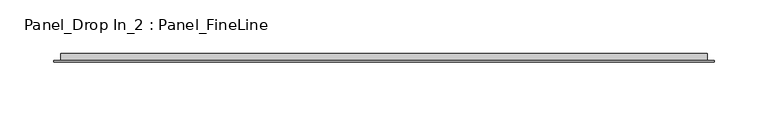
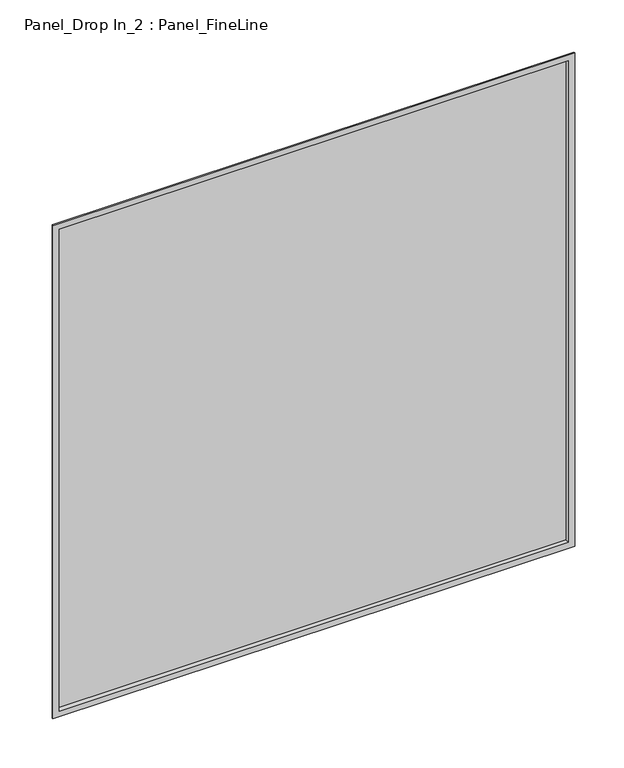
"""IFC4 building model written with IfcOpenShell, lengths in millimetres: plate geometry, Panel_Drop In_2 : Panel_FineLine."""

from ifc_helpers import new_model, si_unit, frame, origin, place, context, project, spatial, polyline, outline, extrude, faceted_brep, source, transform, mapped, element, save


def panel_drop_in_2_panel_fineline_7d5be2de(model_context):
    return source(origin(), model_context, "Body", "SolidModel", [
        extrude(outline(polyline([(299.9500002, 5.5297993), (-299.9500002, 5.5297993), (-299.9500002, 7.0), (299.9500002, 7.0), (299.9500002, 5.5297993)])), frame((0.0, 0.0, 1.3), z_axis=(0.0, 0.0, 1.0), x_axis=(1.0, 0.0, 0.0)), (0.0, 0.0, 1.0), 599.9),
        faceted_brep([(-307.2500002, 0.0, 608.5), (-307.2500002, 1.5, 608.5), (-307.2500002, 1.5, -6.0), (-307.2500002, 0.0, -6.0), (-299.9500002, 7.0, 601.2), (-299.9500002, 0.0, 601.2), (-299.9500002, 0.0, 1.3), (-299.9500002, 7.0, 1.3), (-291.2500002, 8.0, 592.5), (-291.2500002, 7.0, 592.5), (-291.2500002, 7.0, 10.0), (-291.2500002, 8.0, 10.0), (-300.9500002, 1.5, 602.2), (-300.9500002, 8.0, 602.2), (-300.9500002, 8.0, 0.3), (-300.9500002, 1.5, 0.3), (307.2500002, 1.5, -6.0), (307.2500002, 0.0, -6.0), (299.9500002, 0.0, 1.3), (299.9500002, 7.0, 1.3), (291.2500002, 7.0, 10.0), (291.2500002, 8.0, 10.0), (300.9500002, 8.0, 0.3), (300.9500002, 1.5, 0.3), (307.2500002, 1.5, 608.5), (307.2500002, 0.0, 608.5), (299.9500002, 0.0, 601.2), (299.9500002, 7.0, 601.2), (291.2500002, 7.0, 592.5), (291.2500002, 8.0, 592.5), (300.9500002, 8.0, 602.2), (300.9500002, 1.5, 602.2)], [[[0, 1, 2, 3]], [[4, 5, 6, 7]], [[8, 9, 10, 11]], [[12, 13, 14, 15]], [[3, 2, 16, 17]], [[7, 6, 18, 19]], [[11, 10, 20, 21]], [[15, 14, 22, 23]], [[17, 16, 24, 25]], [[19, 18, 26, 27]], [[21, 20, 28, 29]], [[23, 22, 30, 31]], [[25, 24, 1, 0]], [[3, 17, 25, 0], [5, 26, 18, 6]], [[27, 26, 5, 4]], [[7, 19, 27, 4], [9, 28, 20, 10]], [[29, 28, 9, 8]], [[13, 30, 22, 14], [11, 21, 29, 8]], [[31, 30, 13, 12]], [[1, 24, 16, 2], [15, 23, 31, 12]]]),
        extrude(outline(polyline([(291.2500002, 7.0), (-291.2500002, 7.0), (-291.2500002, 8.0), (291.2500002, 8.0), (291.2500002, 7.0)])), frame((0.0, 0.0, 10.0), z_axis=(0.0, 0.0, 1.0), x_axis=(1.0, 0.0, 0.0)), (0.0, 0.0, 1.0), 582.5),
    ])


if __name__ == "__main__":
    model = new_model("IFC4")
    model_context = context("Model", 3, world=origin())
    ifc_project = project(units=[si_unit("LENGTHUNIT", "METRE", prefix="MILLI")], contexts=[model_context])
    site = spatial("IfcSite", under=ifc_project)
    building = spatial("IfcBuilding", under=site)
    placement = place(None, origin())
    panel_drop_in_2_panel_fineline_shape = panel_drop_in_2_panel_fineline_7d5be2de(model_context)
    element("IfcPlate", 1, ObjectType="Panel_Drop In_2 : Panel_FineLine", at=placement, inside=building, context=model_context, shape_type="MappedRepresentation", body=[
        mapped(panel_drop_in_2_panel_fineline_shape, transform((0.0, 0.0, 0.0), x_axis=(1.0, 0.0, 0.0), y_axis=(0.0, 1.0, 0.0), z_axis=(0.0, 0.0, 1.0))),
    ])
    save(model, "model.ifc")
